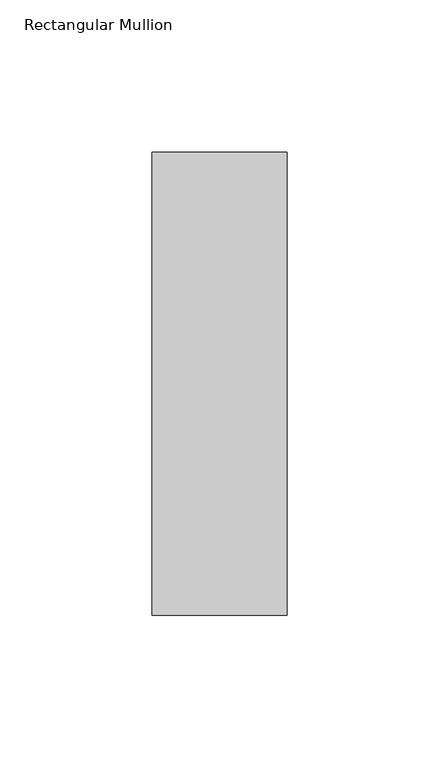
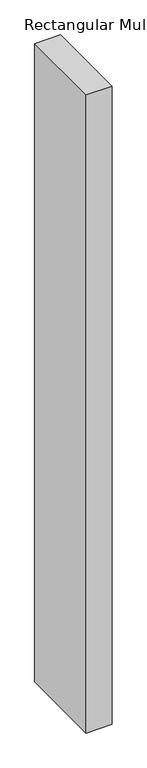
"""IFC4 building model written with IfcOpenShell, lengths in millimetres: member geometry, Rectangular Mullion."""

from ifc_helpers import new_model, si_unit, frame, origin, place, context, project, spatial, polyline, outline, extrude, source, transform, mapped, element, save


def rectangular_mullion_adef534e(model_context):
    return source(origin(), model_context, "Body", "SweptSolid", [
        extrude(outline(polyline([(0.0, 76.1906616), (0.0, -76.1906616), (-44.45, -76.1906616), (-44.45, 76.1906616), (0.0, 76.1906616)])), frame((0.0, 0.0, -1152.525), z_axis=(0.0, 0.0, 1.0), x_axis=(1.0, 0.0, 0.0)), (0.0, 0.0, 1.0), 1152.525),
    ])


if __name__ == "__main__":
    model = new_model("IFC4")
    model_context = context("Model", 3, world=origin())
    ifc_project = project(units=[si_unit("LENGTHUNIT", "METRE", prefix="MILLI")], contexts=[model_context])
    site = spatial("IfcSite", under=ifc_project)
    building = spatial("IfcBuilding", under=site)
    placement = place(None, origin())
    rectangular_mullion_shape = rectangular_mullion_adef534e(model_context)
    element("IfcMember", 1, ObjectType="Rectangular Mullion", at=placement, inside=building, context=model_context, shape_type="MappedRepresentation", body=[
        mapped(rectangular_mullion_shape, transform((0.0, 0.0, 0.0), x_axis=(1.0, 0.0, 0.0), y_axis=(0.0, 1.0, 0.0), z_axis=(0.0, 0.0, 1.0))),
    ])
    save(model, "model.ifc")
